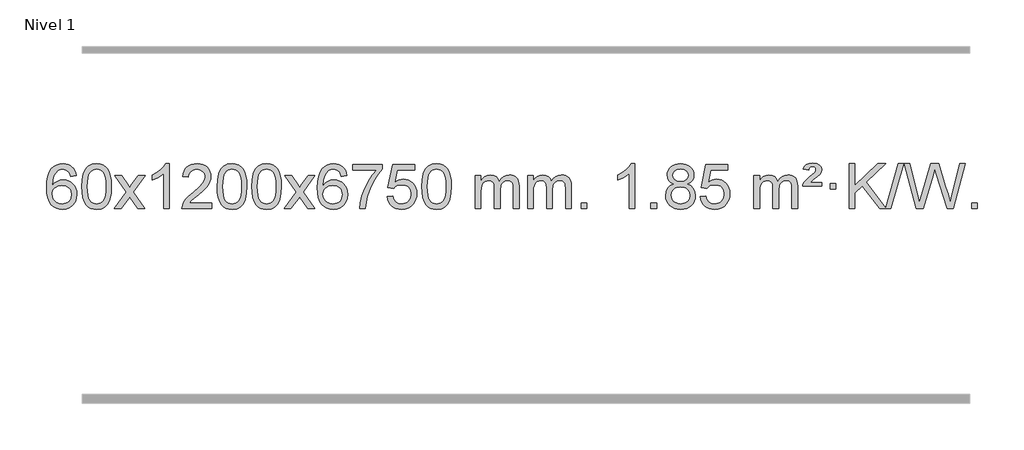
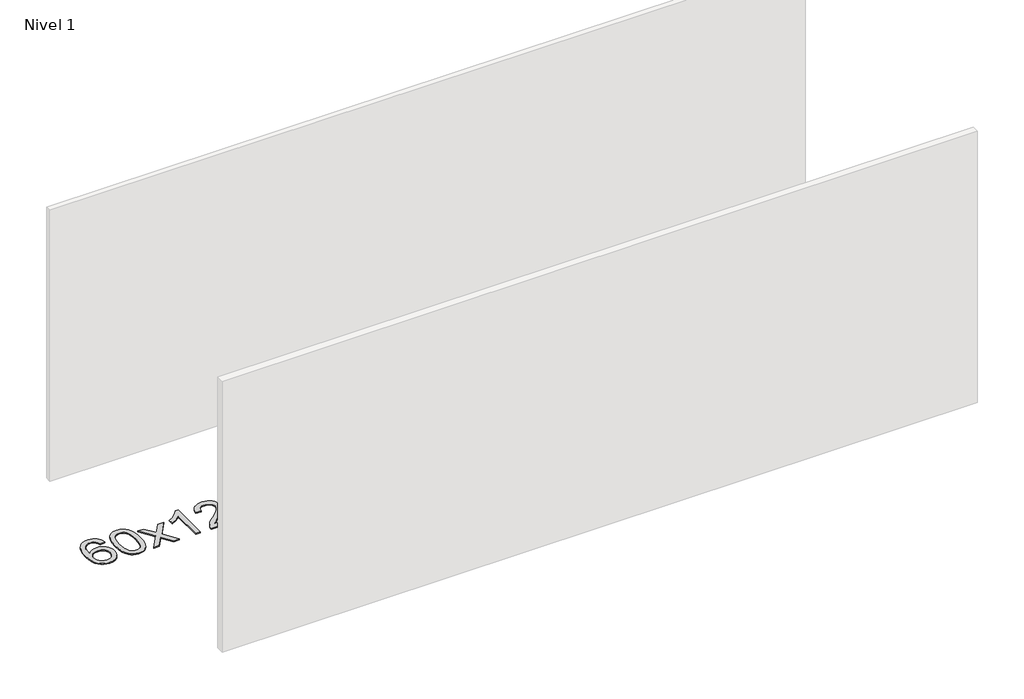
# One storey, part 8 of 9: 1 proxy.
"""IFC4 building model written with IfcOpenShell, lengths in millimetres."""

from ifc_helpers import new_model, si_unit, origin, origin_with_axes, place, context, project, spatial, polyline, outline, extrude, element, save

model = new_model("IFC4")

# Units and contexts
model_context = context("Model", 3, world=origin())
ifc_project = project(units=[si_unit("LENGTHUNIT", "METRE", prefix="MILLI")], contexts=[model_context])

# Site, building, storey
site = spatial("IfcSite", under=ifc_project)
building = spatial("IfcBuilding", under=site)
storey = spatial("IfcBuildingStorey", under=building, Name="Nivel 1", Elevation=0.0)

# Proxy
placement = place(None, origin())
element("IfcBuildingElementProxy", 1, Name="Texto de modelo 1", ObjectType="Texto de modelo 1", at=placement, inside=storey, context=model_context, shape_type="SweptSolid", body=[
    extrude(outline(polyline([(-284.8793578, -3100.4890419), (-335.1075129, -3106.7675613), (-343.2009168, -3081.874213), (-354.1392748, -3064.8780648), (-376.923433, -3049.2062918), (-404.4655317, -3043.9823675), (-427.8137757, -3047.0235253), (-449.7885935, -3056.1469988), (-468.6609399, -3075.3627017), (-484.0751955, -3101.8134171), (-494.486256, -3139.227016), (-498.3490169, -3191.3313693), (-478.2013463, -3167.8237098), (-454.0560247, -3151.2567573), (-427.2619527, -3141.434308), (-399.168031, -3138.1601582), (-375.0349721, -3140.398107), (-352.7658487, -3147.1119534), (-332.3606607, -3158.3016975), (-313.8194081, -3173.9673391), (-298.4112839, -3193.1769106), (-287.4054809, -3214.9984443), (-280.8019991, -3239.4319401), (-278.6008385, -3266.4773982), (-282.7456423, -3302.4439945), (-295.1800537, -3335.786366), (-314.8740032, -3364.0642287), (-340.7974211, -3384.8372987), (-371.7730851, -3397.602804), (-406.6237728, -3401.8579724), (-436.5663015, -3399.0375437), (-463.6086938, -3390.5762579), (-487.7509498, -3376.4741147), (-508.9930693, -3356.7311143), (-526.3111142, -3330.5133908), (-538.6811463, -3296.9870783), (-546.1031656, -3256.1521768), (-548.577172, -3208.0086864), (-545.8303198, -3154.0342663), (-537.5897631, -3107.9693092), (-523.8555019, -3069.8138149), (-504.6275363, -3039.5677835), (-483.7870213, -3019.5243462), (-459.6233056, -3005.2076052), (-432.1363891, -2996.6175606), (-401.326272, -2993.7542124), (-378.1926259, -2995.5261773), (-357.254009, -3000.8420722), (-338.5104214, -3009.7018969), (-321.961863, -3022.1056515), (-308.0559235, -3037.6364031), (-297.2401929, -3055.8772186), (-289.514671, -3076.8280983), (-284.8793578, -3100.4890419)]), holes=[polyline([(-498.3490169, -3265.6925832), (-495.4427491, -3287.9494439), (-486.7239459, -3309.2007605), (-473.1858884, -3327.472233), (-455.8218583, -3340.7895612), (-434.8648473, -3348.9197533), (-410.5478474, -3351.6298173), (-377.4016796, -3346.0134855), (-363.4865432, -3338.9930708), (-351.3433716, -3329.1644901), (-341.4933312, -3316.9262824), (-334.4575881, -3302.6769865), (-328.8289935, -3268.1451299), (-334.3840117, -3234.9989621), (-341.3277843, -3221.3781312), (-351.049066, -3209.725469), (-363.2290258, -3200.3904634), (-377.5488324, -3193.7226022), (-412.6079866, -3188.3883133), (-445.7051034, -3193.7226022), (-473.3820922, -3209.725469), (-484.3051217, -3221.2248471), (-492.1072857, -3234.3858254), (-496.7885841, -3249.2084042), (-498.3490169, -3265.6925832)])]), origin_with_axes(), (0.0, 0.0, 1.0), 10.0),
    extrude(outline(polyline([(-234.6512028, -3197.9041943), (-230.9601201, -3133.5861588), (-219.886872, -3082.2911459), (-201.5418232, -3043.2343407), (-189.6837602, -3028.0009605), (-176.0353382, -3015.6309284), (-160.5505719, -3006.0598651), (-143.183476, -2999.2233914), (-102.8022957, -2993.7542124), (-71.8511572, -2996.991574), (-44.1373802, -3006.7036586), (-20.9608145, -3022.5103217), (-3.6213098, -3044.0314184), (9.4752892, -3071.0830078), (19.9231379, -3103.4811488), (26.765743, -3144.6226186), (29.0466114, -3197.9041943), (25.3923169, -3261.8543477), (14.4294334, -3313.0267333), (-3.8052508, -3352.1203266), (-15.6357226, -3367.3996922), (-29.2749476, -3379.8341036), (-44.778108, -3389.4695462), (-62.2003862, -3396.3520052), (-102.8022957, -3401.8579724), (-130.4670217, -3399.4667394), (-154.9924881, -3392.2930405), (-176.3786947, -3380.3368757), (-194.6256417, -3363.5982449), (-212.1368247, -3333.3399508), (-224.6448125, -3295.6381776), (-232.1496052, -3250.4929255), (-234.6512028, -3197.9041943)]), holes=[polyline([(-184.4230477, -3197.8060924), (-182.9515197, -3241.4706195), (-178.5369358, -3276.8148822), (-171.1792959, -3303.8388804), (-160.8786, -3322.5426142), (-148.4196631, -3335.2682656), (-134.5873001, -3344.3580165), (-119.3815109, -3349.8118671), (-102.8022957, -3351.6298173), (-86.2230804, -3349.8057357), (-71.0172913, -3344.3334911), (-57.1849283, -3335.2130833), (-44.7259914, -3322.4445124), (-34.4252955, -3303.7101217), (-27.0676556, -3276.6922549), (-22.6530717, -3241.3909118), (-21.1815437, -3197.8060924), (-22.6040207, -3155.2973278), (-26.8714519, -3120.5753989), (-33.9838371, -3093.6403055), (-43.9411765, -3074.4920476), (-56.1916469, -3061.1440625), (-70.1834255, -3051.6097875), (-85.9165121, -3045.8892225), (-103.3909069, -3043.9823675), (-119.884283, -3045.6623619), (-134.8325547, -3050.7023452), (-148.2357221, -3059.1023175), (-160.0937851, -3070.8622786), (-170.7378375, -3091.708925), (-178.340732, -3119.8151094), (-182.9024688, -3155.1808319), (-184.4230477, -3197.8060924)])]), origin_with_axes(), (0.0, 0.0, 1.0), 10.0),
    extrude(outline(polyline([(54.1606889, -3395.579453), (161.4841296, -3247.2494325), (60.4392083, -3100.4890419), (120.8699574, -3100.4890419), (169.6265845, -3171.122385), (192.3862172, -3204.4770192), (212.1046922, -3177.2047007), (267.630348, -3100.4890419), (328.0610971, -3100.4890419), (221.9148787, -3247.2494325), (324.1370224, -3395.579453), (263.7062734, -3395.579453), (202.1964038, -3306.4048574), (190.9146893, -3290.1199477), (114.591438, -3395.579453), (54.1606889, -3395.579453)])), origin_with_axes(), (0.0, 0.0, 1.0), 10.0),
    extrude(outline(polyline([(543.8852009, -3395.579453), (493.6570458, -3395.579453), (493.6570458, -3082.4382987), (472.6877721, -3099.3976587), (446.0776411, -3116.3324932), (393.2007357, -3141.6918254), (393.2007357, -3094.2105225), (432.6499483, -3072.7507395), (466.8261856, -3047.219729), (493.7674104, -3020.0700378), (511.5115853, -2993.7542124), (543.8852009, -2993.7542124), (543.8852009, -3395.579453)])), origin_with_axes(), (0.0, 0.0, 1.0), 10.0),
    extrude(outline(polyline([(920.596364, -3345.3512979), (920.596364, -3395.579453), (656.8985498, -3395.579453), (658.0021958, -3377.8965918), (662.2941524, -3360.9494945), (674.6795129, -3333.8856424), (692.8038325, -3307.6311307), (719.0215561, -3280.1503456), (755.6871282, -3249.4076736), (809.8884089, -3201.2641831), (842.4091772, -3165.7267824), (858.6695614, -3136.884834), (864.0896895, -3108.8277005), (858.9761298, -3083.6768347), (843.6354506, -3062.7688747), (820.0542147, -3048.6789943), (790.2189849, -3043.9823675), (758.8877016, -3048.5686297), (734.5461763, -3062.3274163), (718.8376151, -3084.1796068), (713.4052243, -3113.0460807), (663.1770692, -3106.7675613), (667.496617, -3080.838012), (675.3539632, -3058.1826125), (686.749108, -3038.8013627), (701.6820514, -3022.6942627), (719.8094367, -3010.0329907), (740.7879074, -3000.989225), (764.6174637, -2995.5629655), (791.2981054, -2993.7542124), (818.2178704, -2995.7653006), (842.1761853, -3001.7985654), (863.1730502, -3011.8540066), (881.208465, -3025.9316242), (895.6938186, -3042.9890861), (906.0404997, -3061.9840598), (912.2485083, -3082.9165453), (914.3178446, -3105.7865427), (912.0860271, -3129.8092369), (905.3905748, -3153.4149983), (893.5079864, -3177.4254299), (875.7147605, -3202.6621347), (847.3510587, -3232.7916701), (803.7570423, -3271.4805933), (745.9750436, -3319.795762), (723.3135127, -3345.3512979), (920.596364, -3345.3512979)])), origin_with_axes(), (0.0, 0.0, 1.0), 10.0),
    extrude(outline(polyline([(970.824519, -3197.9041943), (974.5156017, -3133.5861588), (985.5888498, -3082.2911459), (1003.9338986, -3043.2343407), (1015.7919616, -3028.0009605), (1029.4403836, -3015.6309284), (1044.9251499, -3006.0598651), (1062.2922458, -2999.2233914), (1102.6734261, -2993.7542124), (1133.6245646, -2996.991574), (1161.3383416, -3006.7036586), (1184.5149073, -3022.5103217), (1201.854412, -3044.0314184), (1214.951011, -3071.0830078), (1225.3988597, -3103.4811488), (1232.2414648, -3144.6226186), (1234.5223332, -3197.9041943), (1230.8680387, -3261.8543477), (1219.9051552, -3313.0267333), (1201.670471, -3352.1203266), (1189.8399992, -3367.3996922), (1176.2007742, -3379.8341036), (1160.6976138, -3389.4695462), (1143.2753356, -3396.3520052), (1102.6734261, -3401.8579724), (1075.0087001, -3399.4667394), (1050.4832337, -3392.2930405), (1029.0970271, -3380.3368757), (1010.8500801, -3363.5982449), (993.3388971, -3333.3399508), (980.8309093, -3295.6381776), (973.3261166, -3250.4929255), (970.824519, -3197.9041943)]), holes=[polyline([(1021.0526741, -3197.8060924), (1022.5242021, -3241.4706195), (1026.938786, -3276.8148822), (1034.2964259, -3303.8388804), (1044.5971218, -3322.5426142), (1057.0560587, -3335.2682656), (1070.8884217, -3344.3580165), (1086.0942109, -3349.8118671), (1102.6734261, -3351.6298173), (1119.2526413, -3349.8057357), (1134.4584305, -3344.3334911), (1148.2907935, -3335.2130833), (1160.7497304, -3322.4445124), (1171.0504263, -3303.7101217), (1178.4080662, -3276.6922549), (1182.8226501, -3241.3909118), (1184.2941781, -3197.8060924), (1182.871701, -3155.2973278), (1178.6042699, -3120.5753989), (1171.4918847, -3093.6403055), (1161.5345453, -3074.4920476), (1149.2840749, -3061.1440625), (1135.2922963, -3051.6097875), (1119.5592097, -3045.8892225), (1102.0848149, -3043.9823675), (1085.5914388, -3045.6623619), (1070.6431671, -3050.7023452), (1057.2399997, -3059.1023175), (1045.3819367, -3070.8622786), (1034.7378843, -3091.708925), (1027.1349898, -3119.8151094), (1022.573253, -3155.1808319), (1021.0526741, -3197.8060924)])]), origin_with_axes(), (0.0, 0.0, 1.0), 10.0),
    extrude(outline(polyline([(1278.4719689, -3197.9041943), (1282.1630515, -3133.5861588), (1293.2362996, -3082.2911459), (1311.5813484, -3043.2343407), (1323.4394114, -3028.0009605), (1337.0878334, -3015.6309284), (1352.5725997, -3006.0598651), (1369.9396956, -2999.2233914), (1410.3208759, -2993.7542124), (1441.2720145, -2996.991574), (1468.9857914, -3006.7036586), (1492.1623571, -3022.5103217), (1509.5018618, -3044.0314184), (1522.5984609, -3071.0830078), (1533.0463095, -3103.4811488), (1539.8889146, -3144.6226186), (1542.169783, -3197.9041943), (1538.5154885, -3261.8543477), (1527.5526051, -3313.0267333), (1509.3179208, -3352.1203266), (1497.487449, -3367.3996922), (1483.848224, -3379.8341036), (1468.3450636, -3389.4695462), (1450.9227855, -3396.3520052), (1410.3208759, -3401.8579724), (1382.6561499, -3399.4667394), (1358.1306836, -3392.2930405), (1336.7444769, -3380.3368757), (1318.4975299, -3363.5982449), (1300.986347, -3333.3399508), (1288.4783591, -3295.6381776), (1280.9735664, -3250.4929255), (1278.4719689, -3197.9041943)]), holes=[polyline([(1328.7001239, -3197.8060924), (1330.1716519, -3241.4706195), (1334.5862359, -3276.8148822), (1341.9438758, -3303.8388804), (1352.2445716, -3322.5426142), (1364.7035085, -3335.2682656), (1378.5358715, -3344.3580165), (1393.7416607, -3349.8118671), (1410.3208759, -3351.6298173), (1426.9000912, -3349.8057357), (1442.1058803, -3344.3334911), (1455.9382433, -3335.2130833), (1468.3971802, -3322.4445124), (1478.6978761, -3303.7101217), (1486.055516, -3276.6922549), (1490.4700999, -3241.3909118), (1491.9416279, -3197.8060924), (1490.5191509, -3155.2973278), (1486.2517197, -3120.5753989), (1479.1393345, -3093.6403055), (1469.1819952, -3074.4920476), (1456.9315247, -3061.1440625), (1442.9397462, -3051.6097875), (1427.2066595, -3045.8892225), (1409.7322647, -3043.9823675), (1393.2388886, -3045.6623619), (1378.2906169, -3050.7023452), (1364.8874495, -3059.1023175), (1353.0293866, -3070.8622786), (1342.3853342, -3091.708925), (1334.7824396, -3119.8151094), (1330.2207028, -3155.1808319), (1328.7001239, -3197.8060924)])]), origin_with_axes(), (0.0, 0.0, 1.0), 10.0),
    extrude(outline(polyline([(1567.2838605, -3395.579453), (1674.6073013, -3247.2494325), (1573.5623799, -3100.4890419), (1633.993129, -3100.4890419), (1682.7497561, -3171.122385), (1705.5093889, -3204.4770192), (1725.2278638, -3177.2047007), (1780.7535196, -3100.4890419), (1841.1842687, -3100.4890419), (1735.0380503, -3247.2494325), (1837.2601941, -3395.579453), (1776.829445, -3395.579453), (1715.3195754, -3306.4048574), (1704.0378609, -3290.1199477), (1627.7146096, -3395.579453), (1567.2838605, -3395.579453)])), origin_with_axes(), (0.0, 0.0, 1.0), 10.0),
    extrude(outline(polyline([(2126.0720857, -3100.4890419), (2075.8439307, -3106.7675613), (2067.7505268, -3081.874213), (2056.8121688, -3064.8780648), (2034.0280106, -3049.2062918), (2006.4859118, -3043.9823675), (1983.1376679, -3047.0235253), (1961.16285, -3056.1469988), (1942.2905037, -3075.3627017), (1926.8762481, -3101.8134171), (1916.4651876, -3139.227016), (1912.6024267, -3191.3313693), (1932.7500973, -3167.8237098), (1956.8954189, -3151.2567573), (1983.6894909, -3141.434308), (2011.7834126, -3138.1601582), (2035.9164715, -3140.398107), (2058.1855949, -3147.1119534), (2078.5907829, -3158.3016975), (2097.1320355, -3173.9673391), (2112.5401597, -3193.1769106), (2123.5459627, -3214.9984443), (2130.1494445, -3239.4319401), (2132.3506051, -3266.4773982), (2128.2058013, -3302.4439945), (2115.7713899, -3335.786366), (2096.0774404, -3364.0642287), (2070.1540225, -3384.8372987), (2039.1783585, -3397.602804), (2004.3276708, -3401.8579724), (1974.3851421, -3399.0375437), (1947.3427498, -3390.5762579), (1923.2004938, -3376.4741147), (1901.9583743, -3356.7311143), (1884.6403294, -3330.5133908), (1872.2702973, -3296.9870783), (1864.848278, -3256.1521768), (1862.3742716, -3208.0086864), (1865.1211238, -3154.0342663), (1873.3616805, -3107.9693092), (1887.0959417, -3069.8138149), (1906.3239073, -3039.5677835), (1927.1644223, -3019.5243462), (1951.328138, -3005.2076052), (1978.8150544, -2996.6175606), (2009.6251715, -2993.7542124), (2032.7588177, -2995.5261773), (2053.6974346, -3000.8420722), (2072.4410222, -3009.7018969), (2088.9895806, -3022.1056515), (2102.8955201, -3037.6364031), (2113.7112507, -3055.8772186), (2121.4367726, -3076.8280983), (2126.0720857, -3100.4890419)]), holes=[polyline([(1912.6024267, -3265.6925832), (1915.5086944, -3287.9494439), (1924.2274977, -3309.2007605), (1937.7655552, -3327.472233), (1955.1295853, -3340.7895612), (1976.0865963, -3348.9197533), (2000.4035962, -3351.6298173), (2033.549764, -3346.0134855), (2047.4649004, -3338.9930708), (2059.608072, -3329.1644901), (2069.4581124, -3316.9262824), (2076.4938555, -3302.6769865), (2082.1224501, -3268.1451299), (2076.5674319, -3234.9989621), (2069.6236593, -3221.3781312), (2059.9023775, -3209.725469), (2047.7224178, -3200.3904634), (2033.4026112, -3193.7226022), (1998.343457, -3188.3883133), (1965.2463402, -3193.7226022), (1937.5693514, -3209.725469), (1926.6463218, -3221.2248471), (1918.8441579, -3234.3858254), (1914.1628595, -3249.2084042), (1912.6024267, -3265.6925832)])]), origin_with_axes(), (0.0, 0.0, 1.0), 10.0),
    extrude(outline(polyline([(2176.3002408, -3050.2608869), (2176.3002408, -3000.0327318), (2439.998055, -3000.0327318), (2439.998055, -3040.646904), (2402.4127778, -3088.214046), (2365.1953826, -3148.7061088), (2332.3680459, -3216.6048623), (2307.9529442, -3286.3920768), (2295.9845166, -3338.6067947), (2289.3135897, -3395.579453), (2239.0854347, -3395.579453), (2244.5178255, -3343.8061935), (2259.0491643, -3282.2717985), (2282.2870436, -3217.0463207), (2313.8390561, -3154.1998132), (2350.6763065, -3097.3865704), (2389.7698999, -3050.2608869), (2176.3002408, -3050.2608869)])), origin_with_axes(), (0.0, 0.0, 1.0), 10.0),
    extrude(outline(polyline([(2483.9476907, -3288.8446235), (2534.1758457, -3282.5661041), (2543.3974211, -3312.7201649), (2559.486127, -3334.3148381), (2582.3683871, -3347.3010725), (2611.970625, -3351.6298173), (2631.1004887, -3350.1245668), (2647.9740096, -3345.6088153), (2662.5911875, -3338.0825628), (2674.9520226, -3327.5458094), (2684.7806032, -3314.519721), (2691.8010179, -3299.5254641), (2697.4173497, -3263.6324441), (2692.1566372, -3229.8363514), (2685.5807465, -3215.9181493), (2676.3744996, -3203.9865099), (2664.5072396, -3194.4154467), (2649.9483096, -3187.5789729), (2612.7554399, -3182.1097939), (2588.3893891, -3184.2925604), (2568.6586514, -3190.8408599), (2552.9010393, -3200.8717757), (2540.4543651, -3213.5023908), (2490.22621, -3207.2238715), (2534.1758457, -3000.0327318), (2728.8099466, -3000.0327318), (2728.8099466, -3050.2608869), (2574.790018, -3050.2608869), (2553.3057095, -3160.919791), (2571.0314903, -3148.2155994), (2589.1864667, -3139.1411769), (2607.7706389, -3133.6965234), (2626.7840067, -3131.8816388), (2651.2450936, -3134.1318504), (2673.7134865, -3140.882485), (2694.1891852, -3152.1335427), (2712.6721898, -3167.8850234), (2727.9730151, -3187.1743027), (2738.902176, -3209.038756), (2745.4596726, -3233.4783832), (2747.6455048, -3260.4931844), (2745.6773361, -3286.5147042), (2739.7728301, -3310.7213394), (2729.9319867, -3333.1130902), (2716.154806, -3353.6899565), (2695.2836342, -3374.7634634), (2670.9298461, -3389.8159684), (2643.0934418, -3398.8474714), (2611.7744212, -3401.8579724), (2585.854069, -3399.9235262), (2562.4414457, -3394.1201877), (2541.5365513, -3384.447957), (2523.1393859, -3370.9068338), (2507.8324292, -3354.1712688), (2496.1981611, -3334.915712), (2488.2365816, -3313.1401636), (2483.9476907, -3288.8446235)])), origin_with_axes(), (0.0, 0.0, 1.0), 10.0),
    extrude(outline(polyline([(2791.5951405, -3197.9041943), (2795.2862232, -3133.5861588), (2806.3594712, -3082.2911459), (2824.7045201, -3043.2343407), (2836.562583, -3028.0009605), (2850.2110051, -3015.6309284), (2865.6957714, -3006.0598651), (2883.0628672, -2999.2233914), (2923.4440476, -2993.7542124), (2954.3951861, -2996.991574), (2982.1089631, -3006.7036586), (3005.2855288, -3022.5103217), (3022.6250335, -3044.0314184), (3035.7216325, -3071.0830078), (3046.1694812, -3103.4811488), (3053.0120863, -3144.6226186), (3055.2929546, -3197.9041943), (3051.6386601, -3261.8543477), (3040.6757767, -3313.0267333), (3022.4410925, -3352.1203266), (3010.6106206, -3367.3996922), (2996.9713957, -3379.8341036), (2981.4682353, -3389.4695462), (2964.0459571, -3396.3520052), (2923.4440476, -3401.8579724), (2895.7793215, -3399.4667394), (2871.2538552, -3392.2930405), (2849.8676485, -3380.3368757), (2831.6207016, -3363.5982449), (2814.1095186, -3333.3399508), (2801.6015308, -3295.6381776), (2794.0967381, -3250.4929255), (2791.5951405, -3197.9041943)]), holes=[polyline([(2841.8232956, -3197.8060924), (2843.2948235, -3241.4706195), (2847.7094075, -3276.8148822), (2855.0670474, -3303.8388804), (2865.3677433, -3322.5426142), (2877.8266802, -3335.2682656), (2891.6590432, -3344.3580165), (2906.8648323, -3349.8118671), (2923.4440476, -3351.6298173), (2940.0232628, -3349.8057357), (2955.2290519, -3344.3334911), (2969.061415, -3335.2130833), (2981.5203519, -3322.4445124), (2991.8210477, -3303.7101217), (2999.1786876, -3276.6922549), (3003.5932716, -3241.3909118), (3005.0647996, -3197.8060924), (3003.6423225, -3155.2973278), (2999.3748914, -3120.5753989), (2992.2625061, -3093.6403055), (2982.3051668, -3074.4920476), (2970.0546963, -3061.1440625), (2956.0629178, -3051.6097875), (2940.3298311, -3045.8892225), (2922.8554364, -3043.9823675), (2906.3620603, -3045.6623619), (2891.4137885, -3050.7023452), (2878.0106212, -3059.1023175), (2866.1525582, -3070.8622786), (2855.5085058, -3091.708925), (2847.9056112, -3119.8151094), (2843.3438745, -3155.1808319), (2841.8232956, -3197.8060924)])]), origin_with_axes(), (0.0, 0.0, 1.0), 10.0),
    extrude(outline(polyline([(3268.7626137, -3395.579453), (3268.7626137, -3100.4890419), (3318.9907688, -3100.4890419), (3318.9907688, -3149.0494653), (3334.098456, -3126.7435537), (3353.5226254, -3109.2691589), (3376.6010892, -3097.9751816), (3402.6716599, -3094.2105225), (3430.6061661, -3098.048758), (3452.9979169, -3109.5634645), (3469.7242849, -3127.9943524), (3480.6626429, -3152.5811324), (3498.9709035, -3127.0439906), (3519.8543381, -3108.803175), (3543.3129467, -3097.8586857), (3569.3467292, -3094.2105225), (3589.4545459, -3095.7280358), (3607.1036847, -3100.2805755), (3622.2941454, -3107.8681416), (3635.0259281, -3118.4907342), (3645.0905663, -3132.2709806), (3652.2795937, -3149.3315082), (3656.5930101, -3169.6723168), (3658.0308155, -3193.2934066), (3658.0308155, -3395.579453), (3607.8026605, -3395.579453), (3607.8026605, -3214.875817), (3606.6377008, -3189.8230531), (3603.1428218, -3172.9372695), (3596.5945223, -3161.3735121), (3586.269301, -3152.2868268), (3572.988761, -3146.4007149), (3557.5745054, -3144.4386776), (3530.3635005, -3149.4663982), (3508.1802162, -3164.54956), (3499.5748432, -3176.1194488), (3493.4281482, -3190.7182326), (3488.5107922, -3229.0024856), (3488.5107922, -3395.579453), (3438.2826371, -3395.579453), (3438.2826371, -3209.2840106), (3435.3763693, -3180.8835206), (3426.657566, -3160.6254854), (3411.3168868, -3148.4853796), (3388.5449913, -3144.4386776), (3369.1943984, -3147.1364789), (3351.3643844, -3155.2298828), (3336.6491045, -3168.5226856), (3326.6427143, -3186.8186835), (3320.9037552, -3212.2025411), (3318.9907688, -3246.7589232), (3318.9907688, -3395.579453), (3268.7626137, -3395.579453)])), origin_with_axes(), (0.0, 0.0, 1.0), 10.0),
    extrude(outline(polyline([(3733.3730481, -3395.579453), (3733.3730481, -3100.4890419), (3783.6012032, -3100.4890419), (3783.6012032, -3149.0494653), (3798.7088905, -3126.7435537), (3818.1330598, -3109.2691589), (3841.2115237, -3097.9751816), (3867.2820944, -3094.2105225), (3895.2166006, -3098.048758), (3917.6083513, -3109.5634645), (3934.3347194, -3127.9943524), (3945.2730774, -3152.5811324), (3963.581338, -3127.0439906), (3984.4647726, -3108.803175), (4007.9233811, -3097.8586857), (4033.9571637, -3094.2105225), (4054.0649804, -3095.7280358), (4071.7141191, -3100.2805755), (4086.9045798, -3107.8681416), (4099.6363625, -3118.4907342), (4109.7010008, -3132.2709806), (4116.8900281, -3149.3315082), (4121.2034445, -3169.6723168), (4122.64125, -3193.2934066), (4122.64125, -3395.579453), (4072.4130949, -3395.579453), (4072.4130949, -3214.875817), (4071.2481352, -3189.8230531), (4067.7532563, -3172.9372695), (4061.2049568, -3161.3735121), (4050.8797354, -3152.2868268), (4037.5991954, -3146.4007149), (4022.1849398, -3144.4386776), (3994.9739349, -3149.4663982), (3972.7906506, -3164.54956), (3964.1852776, -3176.1194488), (3958.0385826, -3190.7182326), (3953.1212266, -3229.0024856), (3953.1212266, -3395.579453), (3902.8930715, -3395.579453), (3902.8930715, -3209.2840106), (3899.9868038, -3180.8835206), (3891.2680005, -3160.6254854), (3875.9273213, -3148.4853796), (3853.1554258, -3144.4386776), (3833.8048328, -3147.1364789), (3815.9748188, -3155.2298828), (3801.259539, -3168.5226856), (3791.2531487, -3186.8186835), (3785.5141896, -3212.2025411), (3783.6012032, -3246.7589232), (3783.6012032, -3395.579453), (3733.3730481, -3395.579453)])), origin_with_axes(), (0.0, 0.0, 1.0), 10.0),
    extrude(outline(polyline([(4210.5405214, -3395.579453), (4210.5405214, -3345.3512979), (4260.7686764, -3345.3512979), (4260.7686764, -3395.579453), (4210.5405214, -3395.579453)])), origin_with_axes(), (0.0, 0.0, 1.0), 10.0),
    extrude(outline(polyline([(4687.7079946, -3395.579453), (4637.4798395, -3395.579453), (4637.4798395, -3082.4382987), (4616.5105658, -3099.3976587), (4589.9004348, -3116.3324932), (4537.0235293, -3141.6918254), (4537.0235293, -3094.2105225), (4576.472742, -3072.7507395), (4610.6489793, -3047.219729), (4637.5902041, -3020.0700378), (4655.334379, -2993.7542124), (4687.7079946, -2993.7542124), (4687.7079946, -3395.579453)])), origin_with_axes(), (0.0, 0.0, 1.0), 10.0),
    extrude(outline(polyline([(4832.1139404, -3395.579453), (4832.1139404, -3345.3512979), (4882.3420955, -3345.3512979), (4882.3420955, -3395.579453), (4832.1139404, -3395.579453)])), origin_with_axes(), (0.0, 0.0, 1.0), 10.0),
    extrude(outline(polyline([(5037.146839, -3174.2616447), (5010.2546652, -3161.0178929), (4991.3823188, -3143.0652515), (4980.2354944, -3120.7716026), (4976.5198862, -3094.5048281), (4978.5432372, -3074.0199324), (4984.6132901, -3055.2395565), (4994.730045, -3038.1637006), (5008.8935018, -3022.7923645), (5026.4230789, -3010.088173), (5046.6381945, -3001.0137504), (5069.5388487, -2995.5690969), (5095.1250415, -2993.7542124), (5120.8338616, -2995.6120165), (5143.906194, -3001.1854287), (5164.3420389, -3010.4744491), (5182.1413961, -3023.4790776), (5196.5623703, -3039.1508506), (5206.8630662, -3056.4413044), (5213.0434837, -3075.3504389), (5215.1036228, -3095.8782543), (5211.4370656, -3121.2989001), (5200.437394, -3143.2124043), (5181.9819805, -3161.0546811), (5155.948198, -3174.2616447), (5186.8625484, -3190.1909351), (5209.3646637, -3213.6495436), (5223.0866621, -3243.5092989), (5227.6606616, -3278.6420295), (5225.392056, -3303.6947933), (5218.5862391, -3326.6628926), (5207.2432109, -3347.5463272), (5191.3629714, -3366.3450971), (5171.7793866, -3381.88198), (5149.3263221, -3392.9797536), (5124.0037781, -3399.6384177), (5095.8117545, -3401.8579724), (5067.619731, -3399.6292206), (5042.297187, -3392.9429654), (5019.8441225, -3381.7992066), (5000.2605377, -3366.1979443), (4984.3802982, -3347.26735), (4973.03727, -3326.135595), (4966.2314531, -3302.8026795), (4963.9628475, -3277.2686033), (4968.7207879, -3240.7747094), (4982.9946094, -3210.7555386), (5006.0485477, -3188.2411605), (5037.146839, -3174.2616447)]), holes=[polyline([(5026.7480413, -3095.9763561), (5031.1994135, -3117.902123), (5044.5535299, -3135.413306), (5066.4179831, -3146.8912243), (5096.4003657, -3150.717197), (5125.6837726, -3146.9157497), (5147.217132, -3135.5114079), (5160.4608838, -3118.5888361), (5164.8754678, -3098.232699), (5160.313731, -3077.1040098), (5146.6285208, -3059.629615), (5124.8008558, -3047.8941794), (5095.8117545, -3043.9823675), (5066.6387123, -3047.8083402), (5044.8478355, -3059.2862585), (5031.2729899, -3076.1107284), (5026.7480413, -3095.9763561)]), polyline([(5014.1910025, -3275.5027698), (5016.2879299, -3294.7184726), (5022.578712, -3313.3210389), (5034.1915204, -3329.5446349), (5052.2545263, -3341.623427), (5073.8859876, -3349.1282197), (5096.204162, -3351.6298173), (5130.3926621, -3346.3691048), (5144.2863388, -3339.7932141), (5156.0462999, -3330.5869672), (5172.0859549, -3306.6869002), (5177.4325065, -3277.0723996), (5171.9142766, -3246.9551269), (5155.3595868, -3222.5277625), (5143.2807947, -3213.0854579), (5129.1173378, -3206.3409547), (5094.5364303, -3200.9453521), (5060.8261768, -3206.2673783), (5047.08885, -3212.919911), (5035.4300564, -3222.2334569), (5019.500766, -3246.1948375), (5014.1910025, -3275.5027698)])]), origin_with_axes(), (0.0, 0.0, 1.0), 10.0),
    extrude(outline(polyline([(5271.6102973, -3288.8446235), (5321.8384524, -3282.5661041), (5331.0600277, -3312.7201649), (5347.1487337, -3334.3148381), (5370.0309938, -3347.3010725), (5399.6332316, -3351.6298173), (5418.7630954, -3350.1245668), (5435.6366162, -3345.6088153), (5450.2537942, -3338.0825628), (5462.6146292, -3327.5458094), (5472.4432098, -3314.519721), (5479.4636246, -3299.5254641), (5485.0799564, -3263.6324441), (5479.8192438, -3229.8363514), (5473.2433532, -3215.9181493), (5464.0371063, -3203.9865099), (5452.1698462, -3194.4154467), (5437.6109163, -3187.5789729), (5400.4180466, -3182.1097939), (5376.0519957, -3184.2925604), (5356.3212581, -3190.8408599), (5340.5636459, -3200.8717757), (5328.1169718, -3213.5023908), (5277.8888167, -3207.2238715), (5321.8384524, -3000.0327318), (5516.4725533, -3000.0327318), (5516.4725533, -3050.2608869), (5362.4526247, -3050.2608869), (5340.9683161, -3160.919791), (5358.6940969, -3148.2155994), (5376.8490734, -3139.1411769), (5395.4332455, -3133.6965234), (5414.4466133, -3131.8816388), (5438.9077003, -3134.1318504), (5461.3760932, -3140.882485), (5481.8517919, -3152.1335427), (5500.3347964, -3167.8850234), (5515.6356218, -3187.1743027), (5526.5647827, -3209.038756), (5533.1222793, -3233.4783832), (5535.3081115, -3260.4931844), (5533.3399428, -3286.5147042), (5527.4354368, -3310.7213394), (5517.5945934, -3333.1130902), (5503.8174127, -3353.6899565), (5482.9462408, -3374.7634634), (5458.5924527, -3389.8159684), (5430.7560484, -3398.8474714), (5399.4370279, -3401.8579724), (5373.5166757, -3399.9235262), (5350.1040523, -3394.1201877), (5329.199158, -3384.447957), (5310.8019925, -3370.9068338), (5295.4950358, -3354.1712688), (5283.8607677, -3334.915712), (5275.8991882, -3313.1401636), (5271.6102973, -3288.8446235)])), origin_with_axes(), (0.0, 0.0, 1.0), 10.0),
    extrude(outline(polyline([(5748.7777705, -3395.579453), (5748.7777705, -3100.4890419), (5799.0059256, -3100.4890419), (5799.0059256, -3149.0494653), (5814.1136129, -3126.7435537), (5833.5377822, -3109.2691589), (5856.616246, -3097.9751816), (5882.6868168, -3094.2105225), (5910.6213229, -3098.048758), (5933.0130737, -3109.5634645), (5949.7394418, -3127.9943524), (5960.6777997, -3152.5811324), (5978.9860604, -3127.0439906), (5999.869495, -3108.803175), (6023.3281035, -3097.8586857), (6049.361886, -3094.2105225), (6069.4697028, -3095.7280358), (6087.1188415, -3100.2805755), (6102.3093022, -3107.8681416), (6115.0410849, -3118.4907342), (6125.1057232, -3132.2709806), (6132.2947505, -3149.3315082), (6136.6081669, -3169.6723168), (6138.0459723, -3193.2934066), (6138.0459723, -3395.579453), (6087.8178173, -3395.579453), (6087.8178173, -3214.875817), (6086.6528576, -3189.8230531), (6083.1579787, -3172.9372695), (6076.6096792, -3161.3735121), (6066.2844578, -3152.2868268), (6053.0039178, -3146.4007149), (6037.5896622, -3144.4386776), (6010.3786573, -3149.4663982), (5988.195373, -3164.54956), (5979.59, -3176.1194488), (5973.443305, -3190.7182326), (5968.525949, -3229.0024856), (5968.525949, -3395.579453), (5918.2977939, -3395.579453), (5918.2977939, -3209.2840106), (5915.3915261, -3180.8835206), (5906.6727228, -3160.6254854), (5891.3320436, -3148.4853796), (5868.5601481, -3144.4386776), (5849.2095552, -3147.1364789), (5831.3795412, -3155.2298828), (5816.6642614, -3168.5226856), (5806.6578711, -3186.8186835), (5800.918912, -3212.2025411), (5799.0059256, -3246.7589232), (5799.0059256, -3395.579453), (5748.7777705, -3395.579453)])), origin_with_axes(), (0.0, 0.0, 1.0), 10.0),
    extrude(outline(polyline([(6181.995608, -3194.6668327), (6185.8215808, -3178.8479069), (6194.1602393, -3162.9799302), (6215.6690733, -3137.8413272), (6247.625756, -3110.1030247), (6291.7715954, -3072.726214), (6298.9085061, -3061.1992448), (6301.2874763, -3049.3779701), (6299.3990154, -3037.2869152), (6293.7336327, -3027.5012541), (6284.3649046, -3021.026531), (6271.3664074, -3018.8682899), (6258.931996, -3020.4869707), (6250.0783026, -3025.343013), (6243.6526304, -3034.8098431), (6238.5022825, -3050.2608869), (6188.2741274, -3043.9823675), (6199.1143835, -3018.7701881), (6215.7426497, -3001.2099542), (6239.5078266, -2990.9092583), (6271.7588149, -2987.475693), (6307.5414703, -2991.6082341), (6332.2876658, -3004.0058573), (6346.70864, -3022.3386434), (6351.5156314, -3044.2766731), (6347.4198785, -3067.1834586), (6335.1326199, -3088.8149199), (6314.6048046, -3108.6314968), (6278.1354361, -3136.6886303), (6252.5308492, -3163.2742358), (6351.5156314, -3163.2742358), (6351.5156314, -3194.6668327), (6181.995608, -3194.6668327)])), origin_with_axes(), (0.0, 0.0, 1.0), 10.0),
    extrude(outline(polyline([(6426.857864, -3219.7809102), (6426.857864, -3169.5527552), (6477.0860191, -3169.5527552), (6477.0860191, -3219.7809102), (6426.857864, -3219.7809102)])), origin_with_axes(), (0.0, 0.0, 1.0), 10.0),
    extrude(outline(polyline([(6867.727647, -3395.579453), (6714.2963296, -3192.9009991), (6646.6060425, -3257.4520265), (6646.6060425, -3395.579453), (6596.3778874, -3395.579453), (6596.3778874, -2993.7542124), (6646.6060425, -2993.7542124), (6646.6060425, -3190.4484525), (6852.6199598, -2993.7542124), (6922.8608954, -2993.7542124), (6749.9073067, -3158.9577537), (6924.5609166, -3389.5349332), (7035.8742443, -2993.7542124), (7081.1973061, -2993.7542124), (6968.1839572, -3395.579453), (6929.1394148, -3395.579453), (6922.8608954, -3395.579453), (6867.727647, -3395.579453)])), origin_with_axes(), (0.0, 0.0, 1.0), 10.0),
    extrude(outline(polyline([(7195.682183, -3395.579453), (7086.1023994, -2993.7542124), (7137.9001843, -2993.7542124), (7201.4701931, -3257.844434), (7221.0905661, -3339.3670841), (7242.0843653, -3267.2622131), (7321.74308, -2993.7542124), (7396.3985996, -2993.7542124), (7454.2787002, -3192.0180823), (7479.0739466, -3265.5944814), (7497.3454191, -3339.3670841), (7516.3771809, -3260.1988788), (7580.5358009, -2993.7542124), (7632.3335858, -2993.7542124), (7522.6557003, -3395.579453), (7468.99398, -3395.579453), (7372.6579482, -3085.5775584), (7359.2179926, -3042.3146358), (7344.1103053, -3094.4067263), (7256.3091358, -3395.579453), (7195.682183, -3395.579453)])), origin_with_axes(), (0.0, 0.0, 1.0), 10.0),
    extrude(outline(polyline([(7688.8402603, -3395.579453), (7688.8402603, -3345.3512979), (7739.0684154, -3345.3512979), (7739.0684154, -3395.579453), (7688.8402603, -3395.579453)])), origin_with_axes(), (0.0, 0.0, 1.0), 10.0),
])

save(model, "model.ifc")
